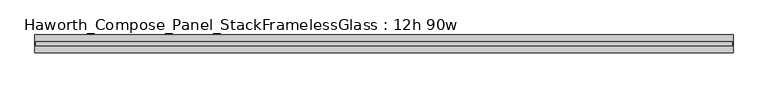
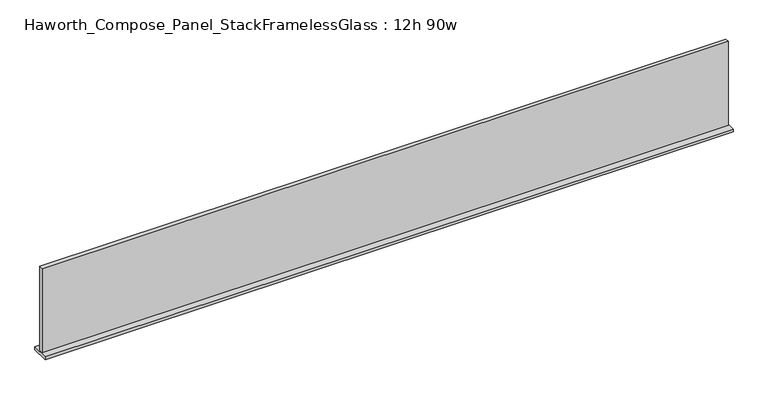
"""IFC4 building model written with IfcOpenShell, lengths in millimetres: furniture geometry, Haworth_Compose_Panel_StackFramelessGlass : 12h 90w."""

import ifcopenshell
import ifcopenshell.guid

model = None  # the IFC model being written
_history = None  # IfcOwnerHistory: only IFC2X3 demands one
_inside = {}  # id of a spatial element -> (the spatial element, [elements in it])
_under = {}  # id of a project, library or spatial element -> (it, [spatial elements below it])
_declared = {}  # id of a project -> (the project, [libraries it declares])
_typed = {}  # id of a type object -> (the type object, [elements of that type])
_made_of = {}  # id of a material, layer set ... -> (it, [elements and type objects made of it])


def new_model(schema):
    """Start an empty IFC model of exactly this schema.

    Asked for "IFC4X3", IfcOpenShell would pick the latest addendum, in which some entities
    have other attributes; the version numbers below select the first issue.
    IFC2X3 requires an IfcOwnerHistory on every rooted entity: one is made here for all.
    """
    global model, _history
    if schema == "IFC4X3":
        model = ifcopenshell.file(schema_version=(4, 3, 0, 0))
    else:
        model = ifcopenshell.file(schema=schema)
    _inside.clear()
    _under.clear()
    _declared.clear()
    _typed.clear()
    _made_of.clear()
    _history = None
    if model.schema == "IFC2X3":
        org = make("IfcOrganization", Name="unknown")
        user = make(
            "IfcPersonAndOrganization",
            ThePerson=make("IfcPerson", FamilyName="unknown"),
            TheOrganization=org,
        )
        app = make(
            "IfcApplication",
            ApplicationDeveloper=org,
            Version="unknown",
            ApplicationFullName="unknown",
            ApplicationIdentifier="unknown",
        )
        _history = make(
            "IfcOwnerHistory",
            OwningUser=user,
            OwningApplication=app,
            ChangeAction="ADDED",
            CreationDate=0,
        )
    return model


def make(cls, **values):
    """One entity of the class cls with the attributes given. An attribute that is None is left unset."""
    return model.create_entity(
        cls, **{name: value for name, value in values.items() if value is not None}
    )


def rooted(cls, **values):
    """An entity with a GlobalId (a new one), such as an element, a storey or a relation."""
    return make(cls, GlobalId=ifcopenshell.guid.new(), OwnerHistory=_history, **values)


def si_unit(unit_type, name, prefix=None):
    """IfcSIUnit, for example si_unit("LENGTHUNIT", "METRE", prefix="MILLI")."""
    return make("IfcSIUnit", UnitType=unit_type, Prefix=prefix, Name=name)


def assignment(units):
    """IfcUnitAssignment: the units of a project."""
    return None if units is None else make("IfcUnitAssignment", Units=units)


def point(xyz):
    """IfcCartesianPoint."""
    return None if xyz is None else make("IfcCartesianPoint", Coordinates=xyz)


def direction(xyz):
    """IfcDirection."""
    return None if xyz is None else make("IfcDirection", DirectionRatios=xyz)


def frame(location, z_axis=None, x_axis=None):
    """IfcAxis2Placement3D, a coordinate frame: its origin and axes. An axis left out is left unset."""
    return make(
        "IfcAxis2Placement3D",
        Location=point(location),
        Axis=direction(z_axis),
        RefDirection=direction(x_axis),
    )


def origin():
    """The frame at (0, 0, 0) with its axes left unset."""
    return frame((0.0, 0.0, 0.0))


def place(relative_to, where):
    """IfcLocalPlacement: puts the frame where relative to a parent placement (None: the world)."""
    return make(
        "IfcLocalPlacement", PlacementRelTo=relative_to, RelativePlacement=where
    )


def context(
    kind, dimensions, precision=None, world=None, true_north=None, identifier=None
):
    """IfcGeometricRepresentationContext, for example the 3D "Model" context."""
    return make(
        "IfcGeometricRepresentationContext",
        ContextIdentifier=identifier,
        ContextType=kind,
        CoordinateSpaceDimension=dimensions,
        Precision=precision,
        WorldCoordinateSystem=world,
        TrueNorth=true_north,
    )


def project(units=None, contexts=None):
    """IfcProject with its units and contexts."""
    return rooted(
        "IfcProject",
        Name="project",
        RepresentationContexts=contexts,
        UnitsInContext=assignment(units),
    )


def spatial(cls, under=None, at=None, **own):
    """A site, building, storey or space (cls), placed at a placement, below another one or the project."""
    s = rooted(cls, ObjectPlacement=at, **own)
    if under is not None:
        _under.setdefault(under.id(), (under, []))[1].append(s)
    return s


def polyline(points):
    """IfcPolyline through the points."""
    return make("IfcPolyline", Points=[point(p) for p in points])


def outline(outer, holes=None, kind="AREA"):
    """IfcArbitraryClosedProfileDef: a profile drawn as a closed curve; with holes, ...WithVoids."""
    if holes is None:
        return make("IfcArbitraryClosedProfileDef", ProfileType=kind, OuterCurve=outer)
    return make(
        "IfcArbitraryProfileDefWithVoids",
        ProfileType=kind,
        OuterCurve=outer,
        InnerCurves=holes,
    )


def extrude(swept, where, along, depth):
    """IfcExtrudedAreaSolid: the profile swept, set in the frame where, extruded along a direction by depth."""
    return make(
        "IfcExtrudedAreaSolid",
        SweptArea=swept,
        Position=where,
        ExtrudedDirection=direction(along),
        Depth=depth,
    )


def shape(context_of_items, identifier, shape_type, items):
    """IfcShapeRepresentation: the items that make up one representation, for example the "Body"."""
    return make(
        "IfcShapeRepresentation",
        ContextOfItems=context_of_items,
        RepresentationIdentifier=identifier,
        RepresentationType=shape_type,
        Items=items,
    )


def source(mapping_origin, context_of_items, identifier, shape_type, items):
    """IfcRepresentationMap: a shape defined once, which mapped items show again and again."""
    return make(
        "IfcRepresentationMap",
        MappingOrigin=mapping_origin,
        MappedRepresentation=shape(context_of_items, identifier, shape_type, items),
    )


def transform(
    local_origin,
    x_axis=None,
    y_axis=None,
    z_axis=None,
    scale=None,
    scale2=None,
    scale3=None,
    uniform=True,
):
    """IfcCartesianTransformationOperator3D, or its non-uniform kind. x_axis, y_axis, z_axis: its Axis1, 2, 3."""
    if uniform:
        return make(
            "IfcCartesianTransformationOperator3D",
            Axis1=direction(x_axis),
            Axis2=direction(y_axis),
            LocalOrigin=point(local_origin),
            Scale=scale,
            Axis3=direction(z_axis),
        )
    return make(
        "IfcCartesianTransformationOperator3DnonUniform",
        Axis1=direction(x_axis),
        Axis2=direction(y_axis),
        LocalOrigin=point(local_origin),
        Scale=scale,
        Axis3=direction(z_axis),
        Scale2=scale2,
        Scale3=scale3,
    )


def mapped(mapping_source, mapping_target):
    """IfcMappedItem: shows the shape of a source again, moved by a transform."""
    return make(
        "IfcMappedItem", MappingSource=mapping_source, MappingTarget=mapping_target
    )


def made_of(thing, what):
    """Note that an element or type object is made of a material, layer set ...; save() writes the relation."""
    if what is not None:
        _made_of.setdefault(what.id(), (what, []))[1].append(thing)
    return thing


def element(
    cls,
    number,
    at=None,
    inside=None,
    cuts=None,
    type_object=None,
    material=None,
    context=None,
    identifier="Body",
    shape_type=None,
    held_by="IfcProductDefinitionShape",
    body=None,
    shapes=None,
    **own,
):
    """One element of the class cls, such as IfcWall. Its Tag is "e" and its number.

    at: its placement. inside: the storey or other place that contains it. cuts: it is an
    opening in that element (IfcRelVoidsElement). A single representation is given by context,
    identifier, shape_type and body (its items); several are given by shapes. held_by: the class
    of the entity that holds the representations. save() writes the other relations.
    """
    e = rooted(cls, Tag="e%d" % number, ObjectPlacement=at, **own)
    if body is not None:
        shapes = [shape(context, identifier, shape_type, body)]
    if shapes is not None:
        e.Representation = make(held_by, Representations=shapes)
    if inside is not None:
        _inside.setdefault(inside.id(), (inside, []))[1].append(e)
    if cuts is not None:
        rooted(
            "IfcRelVoidsElement", RelatingBuildingElement=cuts, RelatedOpeningElement=e
        )
    if type_object is not None:
        _typed.setdefault(type_object.id(), (type_object, []))[1].append(e)
    return made_of(e, material)


def aggregate(whole, parts):
    """IfcRelAggregates: a whole, such as a stair, and the parts it consists of."""
    return rooted("IfcRelAggregates", RelatingObject=whole, RelatedObjects=parts)


def save(model, path):
    """Write the relations noted so far, then the file.

    IfcRelAggregates (storeys below a building ...), IfcRelContainedInSpatialStructure (elements
    in a storey), IfcRelDefinesByType, IfcRelAssociatesMaterial and IfcRelDeclares: one each for
    every whole, place, type object, material and project.
    """
    for whole, parts in _under.values():
        aggregate(whole, parts)
    for where, things in _inside.values():
        rooted(
            "IfcRelContainedInSpatialStructure",
            RelatedElements=things,
            RelatingStructure=where,
        )
    for kind, things in _typed.values():
        rooted("IfcRelDefinesByType", RelatedObjects=things, RelatingType=kind)
    for what, things in _made_of.values():
        rooted("IfcRelAssociatesMaterial", RelatedObjects=things, RelatingMaterial=what)
    for by, libraries in _declared.values():
        rooted("IfcRelDeclares", RelatingContext=by, RelatedDefinitions=libraries)
    model.write(path)


def haworth_compose_panel_stackframelessglass_12h_90w_a6f17b0e(model_context):
    return source(origin(), model_context, "Body", "SweptSolid", [
        extrude(outline(polyline([(1142.2652902, -27.3093594), (-1137.3847098, -27.3093594), (-1137.3847098, -14.6093594), (1142.2652902, -14.6093594), (1142.2652902, -27.3093594)])), frame((0.0, 0.0, 1279.525), z_axis=(0.0, 0.0, 1.0), x_axis=(1.0, 0.0, 0.0)), (0.0, 0.0, 1.0), 295.275),
        extrude(outline(polyline([(-1140.5597098, -50.3281094), (-1140.5597098, 8.4093906), (1145.4402902, 8.4093906), (1145.4402902, -50.3281094), (-1140.5597098, -50.3281094)])), frame((0.0, 0.0, 1270.0), z_axis=(0.0, 0.0, 1.0), x_axis=(1.0, 0.0, 0.0)), (0.0, 0.0, 1.0), 9.525),
    ])


if __name__ == "__main__":
    model = new_model("IFC4")
    model_context = context("Model", 3, world=origin())
    ifc_project = project(units=[si_unit("LENGTHUNIT", "METRE", prefix="MILLI")], contexts=[model_context])
    site = spatial("IfcSite", under=ifc_project)
    building = spatial("IfcBuilding", under=site)
    placement = place(None, origin())
    haworth_compose_panel_stackframelessglass_12h_90w_shape = haworth_compose_panel_stackframelessglass_12h_90w_a6f17b0e(model_context)
    element("IfcFurniture", 1, ObjectType="Haworth_Compose_Panel_StackFramelessGlass : 12h 90w", at=placement, inside=building, context=model_context, shape_type="MappedRepresentation", body=[
        mapped(haworth_compose_panel_stackframelessglass_12h_90w_shape, transform((0.0, 0.0, 0.0), x_axis=(1.0, 0.0, 0.0), y_axis=(0.0, 1.0, 0.0), z_axis=(0.0, 0.0, 1.0))),
    ])
    save(model, "model.ifc")
